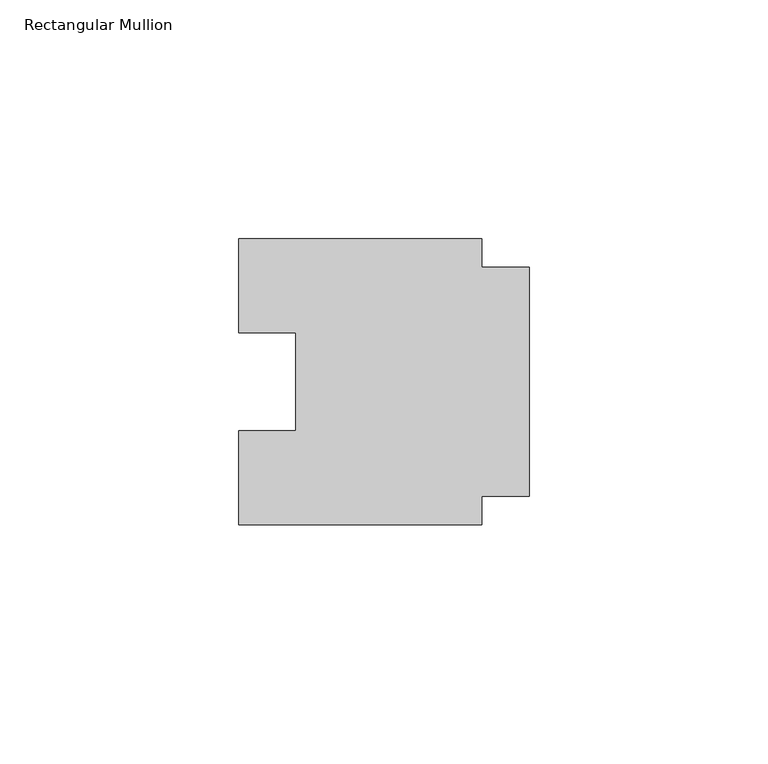
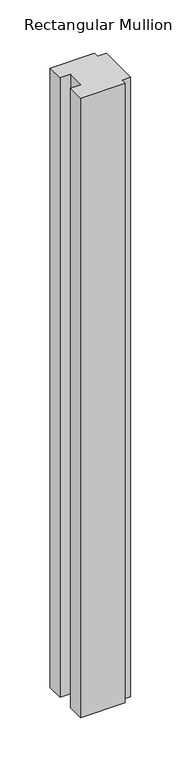
"""IFC4 building model written with IfcOpenShell, lengths in millimetres: member geometry, Rectangular Mullion."""

from ifc_helpers import new_model, si_unit, frame, origin, place, context, project, spatial, polyline, outline, extrude, source, transform, mapped, element, save


def rectangular_mullion_58e54e90(model_context):
    return source(origin(), model_context, "Body", "SweptSolid", [
        extrude(outline(polyline([(-10.0, 24.0), (0.0, 24.0), (0.0, -24.0), (-10.0, -24.0), (-10.0, -30.0), (-61.0, -30.0), (-61.0, -10.25), (-49.0, -10.25), (-49.0, 10.25), (-61.0, 10.25), (-61.0, 30.0), (-10.0, 30.0), (-10.0, 24.0)])), frame((0.0, 0.0, -750.0000003), z_axis=(0.0, 0.0, 1.0), x_axis=(1.0, 0.0, 0.0)), (0.0, 0.0, 1.0), 750.0000003),
    ])


if __name__ == "__main__":
    model = new_model("IFC4")
    model_context = context("Model", 3, world=origin())
    ifc_project = project(units=[si_unit("LENGTHUNIT", "METRE", prefix="MILLI")], contexts=[model_context])
    site = spatial("IfcSite", under=ifc_project)
    building = spatial("IfcBuilding", under=site)
    placement = place(None, origin())
    rectangular_mullion_shape = rectangular_mullion_58e54e90(model_context)
    element("IfcMember", 1, ObjectType="Rectangular Mullion", at=placement, inside=building, context=model_context, shape_type="MappedRepresentation", body=[
        mapped(rectangular_mullion_shape, transform((0.0, 0.0, 0.0), x_axis=(1.0, 0.0, 0.0), y_axis=(0.0, 1.0, 0.0), z_axis=(0.0, 0.0, 1.0))),
    ])
    save(model, "model.ifc")
